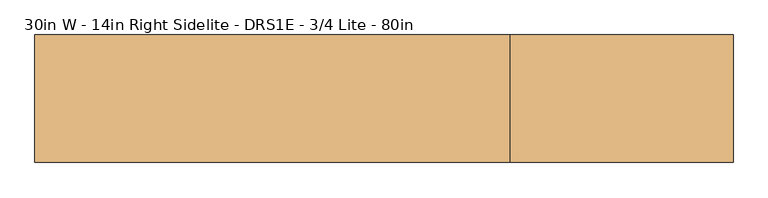
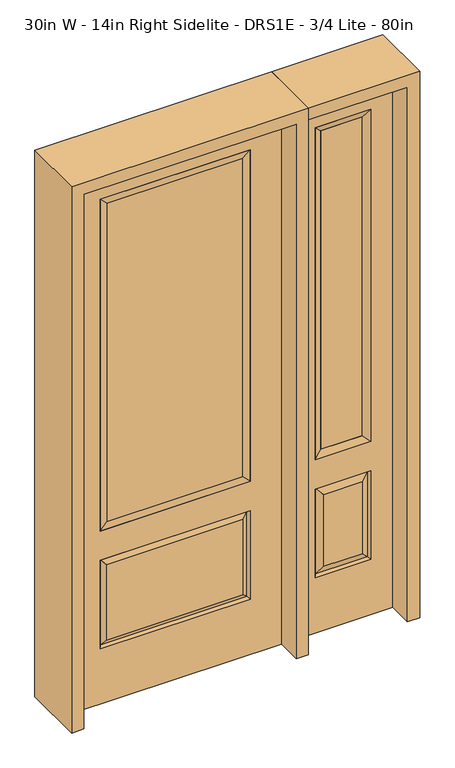
"""IFC4 building model written with IfcOpenShell, lengths in millimetres: door geometry, 30in W - 14in Right Sidelite - DRS1E - 3/4 Lite - 80in."""

import ifcopenshell
import ifcopenshell.guid

model = None  # the IFC model being written
_history = None  # IfcOwnerHistory: only IFC2X3 demands one
_inside = {}  # id of a spatial element -> (the spatial element, [elements in it])
_under = {}  # id of a project, library or spatial element -> (it, [spatial elements below it])
_declared = {}  # id of a project -> (the project, [libraries it declares])
_typed = {}  # id of a type object -> (the type object, [elements of that type])
_made_of = {}  # id of a material, layer set ... -> (it, [elements and type objects made of it])


def new_model(schema):
    """Start an empty IFC model of exactly this schema.

    Asked for "IFC4X3", IfcOpenShell would pick the latest addendum, in which some entities
    have other attributes; the version numbers below select the first issue.
    IFC2X3 requires an IfcOwnerHistory on every rooted entity: one is made here for all.
    """
    global model, _history
    if schema == "IFC4X3":
        model = ifcopenshell.file(schema_version=(4, 3, 0, 0))
    else:
        model = ifcopenshell.file(schema=schema)
    _inside.clear()
    _under.clear()
    _declared.clear()
    _typed.clear()
    _made_of.clear()
    _history = None
    if model.schema == "IFC2X3":
        org = make("IfcOrganization", Name="unknown")
        user = make(
            "IfcPersonAndOrganization",
            ThePerson=make("IfcPerson", FamilyName="unknown"),
            TheOrganization=org,
        )
        app = make(
            "IfcApplication",
            ApplicationDeveloper=org,
            Version="unknown",
            ApplicationFullName="unknown",
            ApplicationIdentifier="unknown",
        )
        _history = make(
            "IfcOwnerHistory",
            OwningUser=user,
            OwningApplication=app,
            ChangeAction="ADDED",
            CreationDate=0,
        )
    return model


def make(cls, **values):
    """One entity of the class cls with the attributes given. An attribute that is None is left unset."""
    return model.create_entity(
        cls, **{name: value for name, value in values.items() if value is not None}
    )


def rooted(cls, **values):
    """An entity with a GlobalId (a new one), such as an element, a storey or a relation."""
    return make(cls, GlobalId=ifcopenshell.guid.new(), OwnerHistory=_history, **values)


def si_unit(unit_type, name, prefix=None):
    """IfcSIUnit, for example si_unit("LENGTHUNIT", "METRE", prefix="MILLI")."""
    return make("IfcSIUnit", UnitType=unit_type, Prefix=prefix, Name=name)


def assignment(units):
    """IfcUnitAssignment: the units of a project."""
    return None if units is None else make("IfcUnitAssignment", Units=units)


def point(xyz):
    """IfcCartesianPoint."""
    return None if xyz is None else make("IfcCartesianPoint", Coordinates=xyz)


def direction(xyz):
    """IfcDirection."""
    return None if xyz is None else make("IfcDirection", DirectionRatios=xyz)


def frame(location, z_axis=None, x_axis=None):
    """IfcAxis2Placement3D, a coordinate frame: its origin and axes. An axis left out is left unset."""
    return make(
        "IfcAxis2Placement3D",
        Location=point(location),
        Axis=direction(z_axis),
        RefDirection=direction(x_axis),
    )


def origin():
    """The frame at (0, 0, 0) with its axes left unset."""
    return frame((0.0, 0.0, 0.0))


def place(relative_to, where):
    """IfcLocalPlacement: puts the frame where relative to a parent placement (None: the world)."""
    return make(
        "IfcLocalPlacement", PlacementRelTo=relative_to, RelativePlacement=where
    )


def context(
    kind, dimensions, precision=None, world=None, true_north=None, identifier=None
):
    """IfcGeometricRepresentationContext, for example the 3D "Model" context."""
    return make(
        "IfcGeometricRepresentationContext",
        ContextIdentifier=identifier,
        ContextType=kind,
        CoordinateSpaceDimension=dimensions,
        Precision=precision,
        WorldCoordinateSystem=world,
        TrueNorth=true_north,
    )


def project(units=None, contexts=None):
    """IfcProject with its units and contexts."""
    return rooted(
        "IfcProject",
        Name="project",
        RepresentationContexts=contexts,
        UnitsInContext=assignment(units),
    )


def spatial(cls, under=None, at=None, **own):
    """A site, building, storey or space (cls), placed at a placement, below another one or the project."""
    s = rooted(cls, ObjectPlacement=at, **own)
    if under is not None:
        _under.setdefault(under.id(), (under, []))[1].append(s)
    return s


def polyline(points):
    """IfcPolyline through the points."""
    return make("IfcPolyline", Points=[point(p) for p in points])


def outline(outer, holes=None, kind="AREA"):
    """IfcArbitraryClosedProfileDef: a profile drawn as a closed curve; with holes, ...WithVoids."""
    if holes is None:
        return make("IfcArbitraryClosedProfileDef", ProfileType=kind, OuterCurve=outer)
    return make(
        "IfcArbitraryProfileDefWithVoids",
        ProfileType=kind,
        OuterCurve=outer,
        InnerCurves=holes,
    )


def extrude(swept, where, along, depth):
    """IfcExtrudedAreaSolid: the profile swept, set in the frame where, extruded along a direction by depth."""
    return make(
        "IfcExtrudedAreaSolid",
        SweptArea=swept,
        Position=where,
        ExtrudedDirection=direction(along),
        Depth=depth,
    )


def faces_of(points, faces, orient=None, outer=None):
    """IfcFace entities. A face is a list of loops; a loop is a list of indices into points, from 0.

    orient and outer hold one flag for each loop. By default every Orientation is true, the
    first loop of a face is its IfcFaceOuterBound and the others are IfcFaceBound.
    """
    made = []
    for i, loops in enumerate(faces):
        bounds = []
        for j, loop in enumerate(loops):
            is_outer = j == 0 if outer is None else outer[i][j]
            bounds.append(
                make(
                    "IfcFaceOuterBound" if is_outer else "IfcFaceBound",
                    Bound=make("IfcPolyLoop", Polygon=[points[k] for k in loop]),
                    Orientation=True if orient is None else orient[i][j],
                )
            )
        made.append(make("IfcFace", Bounds=bounds))
    return made


def faceted_brep(points, faces, orient=None, outer=None, voids=None):
    """IfcFacetedBrep: a solid bounded by flat faces; with voids (closed shells), ...WithVoids."""
    shared = [point(p) for p in points]
    hull = make("IfcClosedShell", CfsFaces=faces_of(shared, faces, orient, outer))
    if voids is None:
        return make("IfcFacetedBrep", Outer=hull)
    return make(
        "IfcFacetedBrepWithVoids",
        Outer=hull,
        Voids=[
            make(cls, CfsFaces=faces_of(shared, fs, o, b)) for cls, fs, o, b in voids
        ],
    )


def shape(context_of_items, identifier, shape_type, items):
    """IfcShapeRepresentation: the items that make up one representation, for example the "Body"."""
    return make(
        "IfcShapeRepresentation",
        ContextOfItems=context_of_items,
        RepresentationIdentifier=identifier,
        RepresentationType=shape_type,
        Items=items,
    )


def source(mapping_origin, context_of_items, identifier, shape_type, items):
    """IfcRepresentationMap: a shape defined once, which mapped items show again and again."""
    return make(
        "IfcRepresentationMap",
        MappingOrigin=mapping_origin,
        MappedRepresentation=shape(context_of_items, identifier, shape_type, items),
    )


def transform(
    local_origin,
    x_axis=None,
    y_axis=None,
    z_axis=None,
    scale=None,
    scale2=None,
    scale3=None,
    uniform=True,
):
    """IfcCartesianTransformationOperator3D, or its non-uniform kind. x_axis, y_axis, z_axis: its Axis1, 2, 3."""
    if uniform:
        return make(
            "IfcCartesianTransformationOperator3D",
            Axis1=direction(x_axis),
            Axis2=direction(y_axis),
            LocalOrigin=point(local_origin),
            Scale=scale,
            Axis3=direction(z_axis),
        )
    return make(
        "IfcCartesianTransformationOperator3DnonUniform",
        Axis1=direction(x_axis),
        Axis2=direction(y_axis),
        LocalOrigin=point(local_origin),
        Scale=scale,
        Axis3=direction(z_axis),
        Scale2=scale2,
        Scale3=scale3,
    )


def mapped(mapping_source, mapping_target):
    """IfcMappedItem: shows the shape of a source again, moved by a transform."""
    return make(
        "IfcMappedItem", MappingSource=mapping_source, MappingTarget=mapping_target
    )


def made_of(thing, what):
    """Note that an element or type object is made of a material, layer set ...; save() writes the relation."""
    if what is not None:
        _made_of.setdefault(what.id(), (what, []))[1].append(thing)
    return thing


def element(
    cls,
    number,
    at=None,
    inside=None,
    cuts=None,
    type_object=None,
    material=None,
    context=None,
    identifier="Body",
    shape_type=None,
    held_by="IfcProductDefinitionShape",
    body=None,
    shapes=None,
    **own,
):
    """One element of the class cls, such as IfcWall. Its Tag is "e" and its number.

    at: its placement. inside: the storey or other place that contains it. cuts: it is an
    opening in that element (IfcRelVoidsElement). A single representation is given by context,
    identifier, shape_type and body (its items); several are given by shapes. held_by: the class
    of the entity that holds the representations. save() writes the other relations.
    """
    e = rooted(cls, Tag="e%d" % number, ObjectPlacement=at, **own)
    if body is not None:
        shapes = [shape(context, identifier, shape_type, body)]
    if shapes is not None:
        e.Representation = make(held_by, Representations=shapes)
    if inside is not None:
        _inside.setdefault(inside.id(), (inside, []))[1].append(e)
    if cuts is not None:
        rooted(
            "IfcRelVoidsElement", RelatingBuildingElement=cuts, RelatedOpeningElement=e
        )
    if type_object is not None:
        _typed.setdefault(type_object.id(), (type_object, []))[1].append(e)
    return made_of(e, material)


def aggregate(whole, parts):
    """IfcRelAggregates: a whole, such as a stair, and the parts it consists of."""
    return rooted("IfcRelAggregates", RelatingObject=whole, RelatedObjects=parts)


def save(model, path):
    """Write the relations noted so far, then the file.

    IfcRelAggregates (storeys below a building ...), IfcRelContainedInSpatialStructure (elements
    in a storey), IfcRelDefinesByType, IfcRelAssociatesMaterial and IfcRelDeclares: one each for
    every whole, place, type object, material and project.
    """
    for whole, parts in _under.values():
        aggregate(whole, parts)
    for where, things in _inside.values():
        rooted(
            "IfcRelContainedInSpatialStructure",
            RelatedElements=things,
            RelatingStructure=where,
        )
    for kind, things in _typed.values():
        rooted("IfcRelDefinesByType", RelatedObjects=things, RelatingType=kind)
    for what, things in _made_of.values():
        rooted("IfcRelAssociatesMaterial", RelatedObjects=things, RelatingMaterial=what)
    for by, libraries in _declared.values():
        rooted("IfcRelDeclares", RelatingContext=by, RelatedDefinitions=libraries)
    model.write(path)


def door_30in_w_14in_right_sidelite_drs1e_3_4_lite_80in_cca7b35c(model_context):
    return source(origin(), model_context, "Body", "SolidModel", [
        faceted_brep([(425.45, -22.225, 0.0), (781.05, -22.225, 0.0), (781.05, -22.225, 2032.0), (425.45, -22.225, 2032.0), (703.58, -22.225, 1919.224), (703.58, -22.225, 657.098), (502.92, -22.225, 657.098), (502.92, -22.225, 1919.224), (703.58, -22.225, 209.55), (502.92, -22.225, 209.55), (502.92, -22.225, 546.1), (703.58, -22.225, 546.1), (534.6351001, -22.225, 241.2651001), (671.8648999, -22.225, 241.2651001), (671.8648999, -22.225, 514.3848999), (534.6351001, -22.225, 514.3848999), (425.45, 22.225, 0.0), (425.45, 22.225, 2032.0), (781.05, 22.225, 2032.0), (781.05, 22.225, 0.0), (703.58, 22.225, 1919.224), (502.92, 22.225, 1919.224), (502.92, 22.225, 657.098), (703.58, 22.225, 657.098), (502.92, 22.225, 209.55), (703.58, 22.225, 209.55), (703.58, 22.225, 546.1), (502.92, 22.225, 546.1), (671.8648999, 22.225, 241.2651001), (534.6351001, 22.225, 241.2651001), (534.6351001, 22.225, 514.3848999), (671.8648999, 22.225, 514.3848999), (696.4711499, 12.7912373, 216.6588501), (510.0288501, 12.7912373, 216.6588501), (510.0288501, 12.7912373, 538.9911499), (696.4711499, 12.7912373, 538.9911499), (510.0288501, -12.7912373, 216.6588501), (696.4711499, -12.7912373, 216.6588501), (510.0288501, -12.7912373, 538.9911499), (696.4711499, -12.7912373, 538.9911499)], [[[0, 1, 2, 3], [4, 5, 6, 7], [8, 9, 10, 11]], [[12, 13, 14, 15]], [[16, 17, 18, 19], [20, 21, 22, 23], [24, 25, 26, 27]], [[28, 29, 30, 31]], [[1, 0, 16, 19]], [[2, 1, 19, 18]], [[3, 2, 18, 17]], [[0, 3, 17, 16]], [[5, 4, 20, 23]], [[6, 5, 23, 22]], [[7, 6, 22, 21]], [[4, 7, 21, 20]], [[32, 33, 29, 28]], [[33, 32, 25, 24]], [[29, 33, 34, 30]], [[33, 24, 27, 34]], [[30, 34, 35, 31]], [[34, 27, 26, 35]], [[32, 28, 31, 35]], [[25, 32, 35, 26]], [[12, 36, 37, 13]], [[37, 36, 9, 8]], [[36, 12, 15, 38]], [[9, 36, 38, 10]], [[38, 15, 14, 39]], [[10, 38, 39, 11]], [[13, 37, 39, 14]], [[37, 8, 11, 39]]]),
        faceted_brep([(502.92, 22.225, 1919.224), (502.92, -22.225, 1919.224), (703.58, -22.225, 1919.224), (703.58, 22.225, 1919.224), (528.32, 12.7, 1893.824), (678.18, 12.7, 1893.824), (528.32, -12.7, 1893.824), (678.18, -12.7, 1893.824), (703.58, -22.225, 657.098), (703.58, 22.225, 657.098), (678.18, 12.7, 682.498), (678.18, -12.7, 682.498), (502.92, -22.225, 657.098), (502.92, 22.225, 657.098), (528.32, 12.7, 682.498), (528.32, -12.7, 682.498)], [[[0, 1, 2, 3]], [[4, 0, 3, 5]], [[6, 4, 5, 7]], [[1, 6, 7, 2]], [[3, 2, 8, 9]], [[5, 3, 9, 10]], [[7, 5, 10, 11]], [[2, 7, 11, 8]], [[9, 8, 12, 13]], [[10, 9, 13, 14]], [[11, 10, 14, 15]], [[8, 11, 15, 12]], [[13, 12, 1, 0]], [[14, 13, 0, 4]], [[15, 14, 4, 6]], [[12, 15, 6, 1]]]),
        extrude(outline(polyline([(678.18, -12.7), (528.32, -12.7), (528.32, 12.7), (678.18, 12.7), (678.18, -12.7)])), frame((0.0, 0.0, 682.498), z_axis=(0.0, 0.0, 1.0), x_axis=(1.0, 0.0, 0.0)), (0.0, 0.0, 1.0), 1211.326),
        faceted_brep([(-262.7661499, -12.7912373, 216.6588501), (262.7661499, -12.7912373, 216.6588501), (245.26875, -22.225, 234.15625), (-245.26875, -22.225, 234.15625), (-269.875, -22.225, 209.55), (269.875, -22.225, 209.55), (-262.7661499, -12.7912373, 538.9911499), (-269.875, -22.225, 546.1), (245.26875, -22.225, 521.49375), (-245.26875, -22.225, 521.49375), (381.0, -22.225, 2032.0), (-381.0, -22.225, 2032.0), (-381.0, -22.225, 0.0), (381.0, -22.225, 0.0), (269.875, -22.225, 546.1), (269.875, -22.225, 1917.7), (269.875, -22.225, 657.098), (-269.875, -22.225, 657.098), (-269.875, -22.225, 1917.7), (262.7661499, -12.7912373, 538.9911499), (-381.0, 22.225, 2032.0), (-381.0, 22.225, 0.0), (381.0, 22.225, 0.0), (381.0, 22.225, 2032.0), (269.875, 22.225, 1917.7), (269.875, 22.225, 657.098), (-269.875, 22.225, 657.098), (-269.875, 22.225, 1917.7), (-269.875, 22.225, 209.55), (269.875, 22.225, 209.55), (269.875, 22.225, 546.1), (-269.875, 22.225, 546.1), (245.26875, 22.225, 234.15625), (-245.26875, 22.225, 234.15625), (-245.26875, 22.225, 521.49375), (245.26875, 22.225, 521.49375), (-262.7661499, 12.7912373, 216.6588501), (262.7661499, 12.7912373, 216.6588501), (262.7661499, 12.7912373, 538.9911499), (-262.7661499, 12.7912373, 538.9911499)], [[[0, 1, 2, 3]], [[1, 0, 4, 5]], [[4, 0, 6, 7]], [[3, 2, 8, 9]], [[10, 11, 12, 13], [5, 4, 7, 14], [15, 16, 17, 18]], [[1, 5, 14, 19]], [[2, 1, 19, 8]], [[0, 3, 9, 6]], [[7, 6, 19, 14]], [[6, 9, 8, 19]], [[12, 11, 20, 21]], [[13, 12, 21, 22]], [[10, 13, 22, 23]], [[16, 15, 24, 25]], [[17, 16, 25, 26]], [[18, 17, 26, 27]], [[23, 22, 21, 20], [28, 29, 30, 31], [24, 27, 26, 25]], [[32, 33, 34, 35]], [[28, 36, 37, 29]], [[29, 37, 38, 30]], [[39, 31, 30, 38]], [[36, 28, 31, 39]], [[37, 36, 33, 32]], [[33, 36, 39, 34]], [[34, 39, 38, 35]], [[37, 32, 35, 38]], [[11, 10, 23, 20]], [[15, 18, 27, 24]]]),
        faceted_brep([(-269.875, -22.225, 1917.7), (-269.875, 22.225, 1917.7), (-269.875, 22.225, 657.098), (-269.875, -22.225, 657.098), (269.875, 22.225, 657.098), (269.875, -22.225, 657.098), (-244.475, 5.08, 682.498), (244.475, 5.08, 682.498), (269.875, 22.225, 1917.7), (269.875, -22.225, 1917.7), (-244.475, -20.32, 682.498), (244.475, -20.32, 682.498), (-244.475, -20.32, 1892.3), (244.475, -20.32, 1892.3), (-244.475, 5.08, 1892.3), (244.475, 5.08, 1892.3)], [[[0, 1, 2, 3]], [[3, 2, 4, 5]], [[2, 6, 7, 4]], [[5, 4, 8, 9]], [[10, 3, 5, 11]], [[12, 0, 3, 10]], [[11, 5, 9, 13]], [[6, 10, 11, 7]], [[14, 12, 10, 6]], [[7, 11, 13, 15]], [[1, 14, 6, 2]], [[4, 7, 15, 8]], [[9, 8, 1, 0]], [[13, 9, 0, 12]], [[15, 13, 12, 14]], [[8, 15, 14, 1]]]),
        extrude(outline(polyline([(244.475, -20.32), (-244.475, -20.32), (-244.475, 5.08), (244.475, 5.08), (244.475, -20.32)])), frame((0.0, 0.0, 682.498), z_axis=(0.0, 0.0, 1.0), x_axis=(1.0, 0.0, 0.0)), (0.0, 0.0, 1.0), 1209.802),
        extrude(outline(polyline([(2076.45, -425.45), (0.0, -425.45), (0.0, -381.0), (2032.0, -381.0), (2032.0, 381.0), (0.0, 381.0), (0.0, 425.45), (2076.45, 425.45), (2076.45, -425.45)])), frame((0.0, -114.3, 0.0), z_axis=(0.0, 1.0, 0.0), x_axis=(0.0, 0.0, 1.0)), (0.0, 0.0, 1.0), 228.6),
        extrude(outline(polyline([(0.0, 781.05), (0.0, 825.5), (2076.45, 825.5), (2076.45, 425.45), (2032.0, 425.45), (2032.0, 781.05), (0.0, 781.05)])), frame((0.0, -114.3, 0.0), z_axis=(0.0, 1.0, 0.0), x_axis=(0.0, 0.0, 1.0)), (0.0, 0.0, 1.0), 228.6),
    ])


if __name__ == "__main__":
    model = new_model("IFC4")
    model_context = context("Model", 3, world=origin())
    ifc_project = project(units=[si_unit("LENGTHUNIT", "METRE", prefix="MILLI")], contexts=[model_context])
    site = spatial("IfcSite", under=ifc_project)
    building = spatial("IfcBuilding", under=site)
    placement = place(None, origin())
    door_30in_w_14in_right_sidelite_drs1e_3_4_lite_80in_shape = door_30in_w_14in_right_sidelite_drs1e_3_4_lite_80in_cca7b35c(model_context)
    element("IfcDoor", 1, ObjectType="30in W - 14in Right Sidelite - DRS1E - 3/4 Lite - 80in", at=placement, inside=building, context=model_context, shape_type="MappedRepresentation", body=[
        mapped(door_30in_w_14in_right_sidelite_drs1e_3_4_lite_80in_shape, transform((0.0, 0.0, 0.0), x_axis=(1.0, 0.0, 0.0), y_axis=(0.0, 1.0, 0.0), z_axis=(0.0, 0.0, 1.0))),
    ])
    save(model, "model.ifc")
